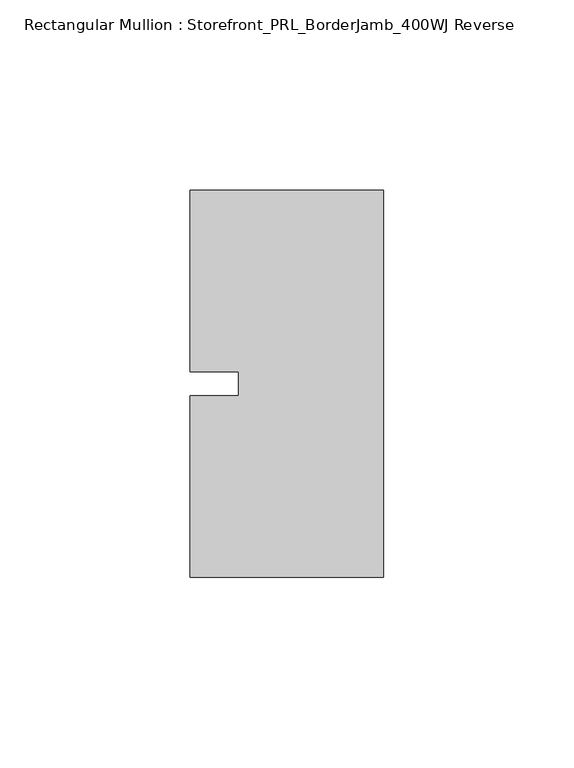
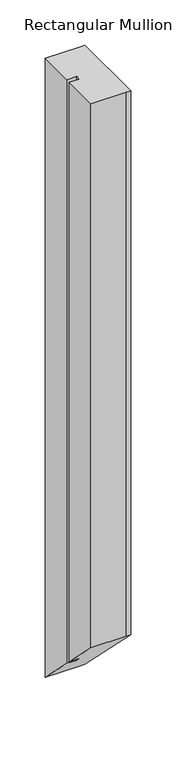
"""IFC4 building model written with IfcOpenShell, lengths in millimetres: member geometry, Rectangular Mullion : Storefront_PRL_BorderJamb_400WJ Reverse."""

from ifc_helpers import new_model, si_unit, origin, place, context, project, spatial, faceted_brep, source, transform, mapped, element, save


def rectangular_mullion_storefront_prl_borderjamb_400wj_reverse_9bbe4ab4(model_context):
    return source(origin(), model_context, "Body", "Brep", [
        faceted_brep([(-38.1, -3.175, 0.0), (-50.8, -3.175, 0.0), (-50.8, -50.8, 0.0), (-6.35, -50.8, 0.0), (0.0, -50.8, 0.0), (0.0, 50.8, 0.0), (-7.3958824, 50.8, 0.0), (-50.8, 50.8, 0.0), (-50.8, 3.175, 0.0), (-38.1, 3.175, 0.0), (-38.1, -3.175, -783.1666667), (-50.8, -3.175, -783.1666667), (-50.8, -50.8, -735.5416667), (-6.35, -50.8, -735.5416667), (0.0, -50.8, -735.5416667), (0.0, 50.8, -837.1416667), (-7.3958824, 50.8, -837.1416667), (-50.8, 50.8, -837.1416667), (-50.8, 3.175, -789.5166667), (-38.1, 3.175, -789.5166667)], [[[0, 1, 2, 3, 4, 5, 6, 7, 8, 9]], [[1, 0, 10, 11]], [[2, 1, 11, 12]], [[3, 2, 12, 13]], [[4, 3, 13, 14]], [[5, 4, 14, 15]], [[6, 5, 15, 16]], [[7, 6, 16, 17]], [[8, 7, 17, 18]], [[9, 8, 18, 19]], [[0, 9, 19, 10]], [[10, 19, 18, 17, 16, 15, 14, 13, 12, 11]]]),
    ])


if __name__ == "__main__":
    model = new_model("IFC4")
    model_context = context("Model", 3, world=origin())
    ifc_project = project(units=[si_unit("LENGTHUNIT", "METRE", prefix="MILLI")], contexts=[model_context])
    site = spatial("IfcSite", under=ifc_project)
    building = spatial("IfcBuilding", under=site)
    placement = place(None, origin())
    rectangular_mullion_storefront_prl_borderjamb_400wj_reverse_shape = rectangular_mullion_storefront_prl_borderjamb_400wj_reverse_9bbe4ab4(model_context)
    element("IfcMember", 1, ObjectType="Rectangular Mullion : Storefront_PRL_BorderJamb_400WJ Reverse", at=placement, inside=building, context=model_context, shape_type="MappedRepresentation", body=[
        mapped(rectangular_mullion_storefront_prl_borderjamb_400wj_reverse_shape, transform((0.0, 0.0, 0.0), x_axis=(1.0, 0.0, 0.0), y_axis=(0.0, 1.0, 0.0), z_axis=(0.0, 0.0, 1.0))),
    ])
    save(model, "model.ifc")
